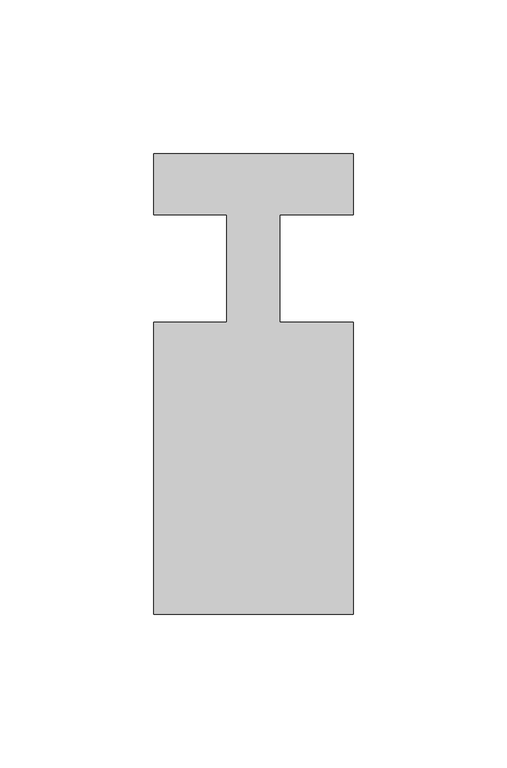
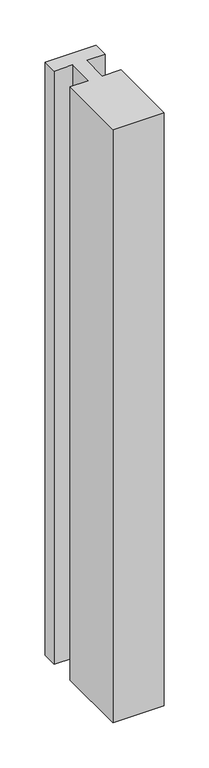
"""IFC4 building model written with IfcOpenShell, lengths in millimetres: member geometry."""

from ifc_helpers import new_model, si_unit, frame, origin, place, context, project, spatial, polyline, outline, extrude, source, transform, mapped, element, save


def member_e364a348(model_context):
    return source(origin(), model_context, "Body", "SweptSolid", [
        extrude(outline(polyline([(-65.0, 37.0), (0.0, 37.0), (0.0, 17.0), (-23.8125, 17.0), (-23.8125, -18.0), (0.0, -18.0), (0.0, -113.0), (-65.0, -113.0), (-65.0, -18.0), (-41.1875, -18.0), (-41.1875, 17.0), (-65.0, 17.0), (-65.0, 37.0)])), frame((0.0, 0.0, -800.0), z_axis=(0.0, 0.0, 1.0), x_axis=(1.0, 0.0, 0.0)), (0.0, 0.0, 1.0), 800.0),
    ])


if __name__ == "__main__":
    model = new_model("IFC4")
    model_context = context("Model", 3, world=origin())
    ifc_project = project(units=[si_unit("LENGTHUNIT", "METRE", prefix="MILLI")], contexts=[model_context])
    site = spatial("IfcSite", under=ifc_project)
    building = spatial("IfcBuilding", under=site)
    placement = place(None, origin())
    member_shape = member_e364a348(model_context)
    element("IfcMember", 1, at=placement, inside=building, context=model_context, shape_type="MappedRepresentation", body=[
        mapped(member_shape, transform((0.0, 0.0, 0.0), x_axis=(1.0, 0.0, 0.0), y_axis=(0.0, 1.0, 0.0), z_axis=(0.0, 0.0, 1.0))),
    ])
    save(model, "model.ifc")
